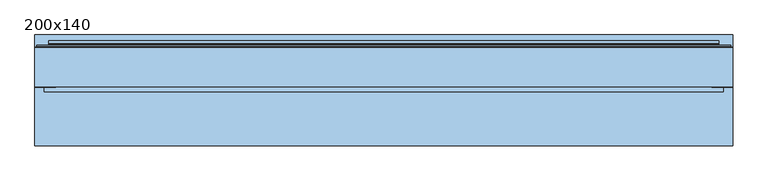
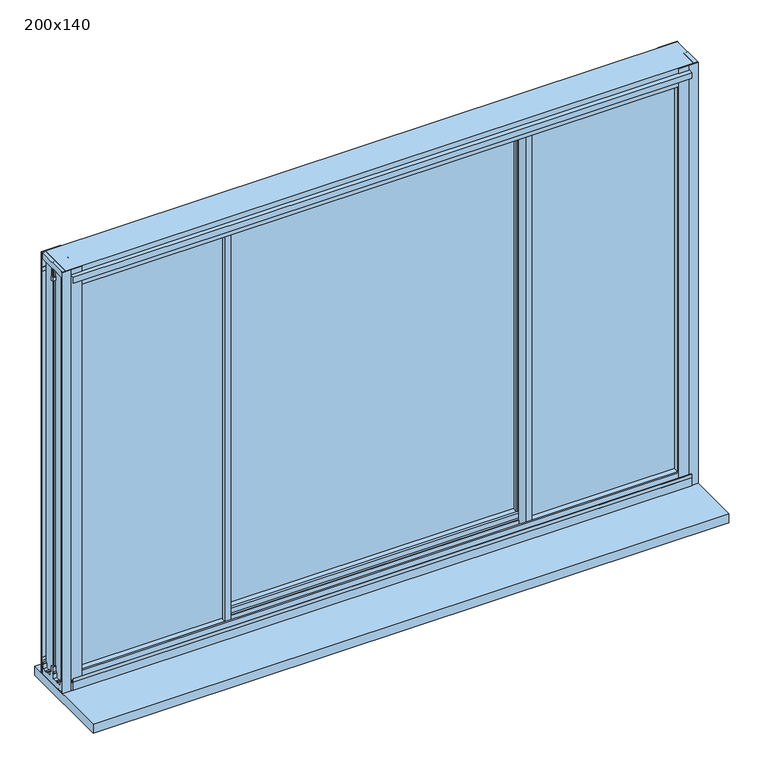
"""IFC4 building model written with IfcOpenShell, lengths in millimetres: window geometry, 200x140."""

from ifc_helpers import new_model, si_unit, frame, origin, place, context, project, spatial, polyline, outline, extrude, faceted_brep, source, transform, mapped, element, save


def window_200x140_1c077688(model_context):
    return source(origin(), model_context, "Body", "SolidModel", [
        extrude(outline(polyline([(1421.5, 940.7), (1325.5, 940.7), (1325.5, 966.7), (1421.5, 966.7), (1421.5, 940.7)]), holes=[polyline([(1328.5, 963.7), (1328.5, 943.7), (1418.5, 943.7), (1418.5, 963.7), (1328.5, 963.7)])]), frame((0.0, 32.25, 0.0), z_axis=(0.0, 1.0, 0.0), x_axis=(0.0, 0.0, 1.0)), (0.0, 0.0, 1.0), 10.0),
        extrude(outline(polyline([(1421.5, -888.3), (1421.5, -914.3), (1325.5, -914.3), (1325.5, -888.3), (1421.5, -888.3)]), holes=[polyline([(1328.5, -911.3), (1418.5, -911.3), (1418.5, -891.3), (1328.5, -891.3), (1328.5, -911.3)])]), frame((0.0, 32.65, 0.0), z_axis=(0.0, 1.0, 0.0), x_axis=(0.0, 0.0, 1.0)), (0.0, 0.0, 1.0), 10.0),
        extrude(outline(polyline([(-923.7, 20.25), (-923.7, 26.25), (-447.3, 26.25), (-447.3, 20.25), (-923.7, 20.25)])), frame((0.0, 0.0, 717.8), z_axis=(0.0, 0.0, 1.0), x_axis=(1.0, 0.0, 0.0)), (0.0, 0.0, 1.0), 1305.6),
        extrude(outline(polyline([(976.1, 20.25), (500.7, 20.25), (500.7, 26.25), (976.1, 26.25), (976.1, 20.25)])), frame((0.0, 0.0, 717.8), z_axis=(0.0, 0.0, 1.0), x_axis=(1.0, 0.0, 0.0)), (0.0, 0.0, 1.0), 1305.6),
        extrude(outline(polyline([(500.7, 75.05), (-448.3, 75.05), (-448.3, 81.05), (500.7, 81.05), (500.7, 75.05)])), frame((0.0, 0.0, 717.8), z_axis=(0.0, 0.0, 1.0), x_axis=(1.0, 0.0, 0.0)), (0.0, 0.0, 1.0), 1305.6),
        faceted_brep([(-439.3, 2.65, 697.1), (-457.3, 2.65, 697.1), (-457.3, 12.6000001, 697.1), (-944.2, 12.6000001, 697.1), (-944.2, 33.8999999, 697.1), (-457.3, 33.8999999, 697.1), (-457.3, 43.85, 697.1), (-443.1031371, 43.85, 697.1), (-443.1031371, 50.1440374, 697.1), (-446.4081362, 50.1440374, 697.1), (-450.6157826, 51.5636227, 697.1), (-450.6157826, 53.95, 697.1), (-441.3266098, 53.95, 697.1), (-441.3266098, 43.85, 697.1), (-439.3, 43.85, 697.1), (-447.0748111, 32.25, 697.1), (-448.3, 32.25, 697.1), (-448.3, 14.25, 697.1), (-447.0748111, 14.25, 697.1), (-439.3, 2.65, 2043.9), (-439.3, 43.85, 2043.9), (-441.3266098, 43.85, 2043.9), (-441.3266098, 53.95, 2043.9), (-450.6157826, 53.95, 2043.9), (-450.6157826, 51.5636227, 2043.9), (-446.4081362, 50.1440374, 2043.9), (-443.1031371, 50.1440374, 2043.9), (-443.1031371, 43.85, 2043.9), (-457.3, 43.85, 2043.9), (-457.3, 33.8999999, 2043.9), (-944.2, 33.8999999, 2043.9), (-944.2, 12.6000001, 2043.9), (-457.3, 12.6000001, 2043.9), (-457.3, 2.65, 2043.9), (-447.0748111, 14.25, 2043.9), (-448.3, 14.25, 2043.9), (-448.3, 32.25, 2043.9), (-447.0748111, 32.25, 2043.9), (-457.3, 2.65, 2031.9), (-932.2, 2.65, 2031.9), (-932.2, 2.65, 709.1), (-457.3, 2.65, 709.1), (-914.3, 2.65, 2014.0), (-457.3, 2.65, 2014.0), (-457.3, 2.65, 727.0), (-914.3, 2.65, 727.0), (-457.3, 6.95, 709.1), (-457.3, 6.95, 706.9), (-457.3, 12.6000001, 706.9), (-457.3, 12.6000001, 2034.1), (-457.3, 6.95, 2034.1), (-457.3, 6.95, 2031.9), (-457.3, 14.25, 2014.0), (-457.3, 14.25, 727.0), (-448.3, 14.25, 727.0), (-448.3, 14.25, 2014.0), (-448.3, 32.25, 2014.0), (-457.3, 32.25, 2014.0), (-457.3, 32.25, 727.0), (-448.3, 32.25, 727.0), (-457.3, 33.8999999, 706.9), (-457.3, 39.55, 706.9), (-457.3, 39.55, 709.1), (-457.3, 43.85, 709.1), (-457.3, 43.85, 2031.9), (-457.3, 39.55, 2031.9), (-457.3, 39.55, 2034.1), (-457.3, 33.8999999, 2034.1), (-457.3, 43.85, 2014.0), (-457.3, 43.85, 727.0), (-448.3, 20.25, 727.0), (-448.3, 26.25, 727.0), (-448.3, 26.25, 717.6), (-448.3, 20.25, 717.6), (-914.3, 20.25, 727.0), (-923.7, 20.25, 717.6), (-923.7, 20.25, 2023.4), (-448.3, 20.25, 2023.4), (-448.3, 20.25, 2014.0), (-914.3, 20.25, 2014.0), (-923.7, 26.25, 717.6), (-914.3, 26.25, 727.0), (-914.3, 26.25, 2014.0), (-448.3, 26.25, 2014.0), (-448.3, 26.25, 2023.4), (-923.7, 26.25, 2023.4), (-914.3, 43.85, 727.0), (-932.2, 43.85, 709.1), (-932.2, 39.55, 709.1), (-934.4, 39.55, 706.9), (-934.4, 39.55, 2034.1), (-932.2, 39.55, 2031.9), (-934.4, 33.8999999, 706.9), (-934.4, 33.8999999, 2034.1), (-934.4, 12.6000001, 706.9), (-934.4, 12.6000001, 2034.1), (-934.4, 6.95, 706.9), (-932.2, 6.95, 709.1), (-932.2, 6.95, 2031.9), (-934.4, 6.95, 2034.1), (-914.3, 43.85, 2014.0), (-932.2, 43.85, 2031.9)], [[[0, 1, 2, 3, 4, 5, 6, 7, 8, 9, 10, 11, 12, 13, 14], [15, 16, 17, 18]], [[19, 20, 21, 22, 23, 24, 25, 26, 27, 28, 29, 30, 31, 32, 33], [34, 35, 36, 37]], [[0, 19, 33, 38, 39, 40, 41, 1], [42, 43, 44, 45]], [[1, 41, 46, 47, 48, 2]], [[32, 49, 50, 51, 38, 33]], [[43, 52, 53, 44]], [[18, 17, 54, 53, 52, 55, 35, 34]], [[18, 34, 37, 15]], [[37, 36, 56, 57, 58, 59, 16, 15]], [[5, 60, 61, 62, 63, 6]], [[28, 64, 65, 66, 67, 29]], [[57, 68, 69, 58]], [[13, 21, 20, 14]], [[70, 54, 17, 16, 59, 71, 72, 73]], [[45, 44, 53, 54, 70, 74]], [[73, 75, 76, 77, 78, 79, 74, 70]], [[72, 80, 75, 73]], [[71, 81, 82, 83, 84, 85, 80, 72]], [[71, 59, 58, 69, 86, 81]], [[87, 63, 62, 88]], [[88, 62, 61, 89, 90, 66, 65, 91]], [[89, 61, 60, 92]], [[92, 60, 5, 4, 30, 29, 67, 93]], [[3, 2, 48, 94, 95, 49, 32, 31]], [[94, 48, 47, 96]], [[96, 47, 46, 97, 98, 51, 50, 99]], [[97, 46, 41, 40]], [[45, 74, 79, 42]], [[75, 80, 85, 76]], [[81, 86, 100, 82]], [[87, 88, 91, 101]], [[89, 92, 93, 90]], [[4, 3, 31, 30]], [[94, 96, 99, 95]], [[39, 98, 97, 40]], [[77, 84, 83, 56, 36, 35, 55, 78]], [[78, 55, 52, 43, 42, 79]], [[76, 85, 84, 77]], [[82, 100, 68, 57, 56, 83]], [[91, 65, 64, 101]], [[93, 67, 66, 90]], [[99, 50, 49, 95]], [[39, 38, 51, 98]], [[14, 20, 19, 0]], [[12, 22, 21, 13]], [[11, 23, 22, 12]], [[10, 24, 23, 11]], [[9, 25, 24, 10]], [[8, 26, 25, 9]], [[7, 27, 26, 8]], [[6, 63, 87, 101, 64, 28, 27, 7], [86, 69, 68, 100]]]),
        faceted_brep([(-457.3, 98.65, 697.1), (-439.3, 98.65, 697.1), (-439.3, 87.05, 697.1), (-449.6733902, 87.05, 697.1), (-449.6733902, 69.05, 697.1), (-439.3, 69.05, 697.1), (-439.3, 57.45, 697.1), (-453.5817343, 57.45, 697.1), (-453.5817343, 51.1559626, 697.1), (-450.1918638, 51.1559626, 697.1), (-445.9842174, 49.7071538, 697.1), (-445.9842174, 47.35, 697.1), (-455.3582616, 47.35, 697.1), (-455.3582616, 57.45, 697.1), (-457.3, 57.45, 697.1), (-457.3, 98.65, 2043.9), (-457.3, 57.45, 2043.9), (-455.3582616, 57.45, 2043.9), (-455.3582616, 47.35, 2043.9), (-445.9842174, 47.35, 2043.9), (-445.9842174, 49.7071538, 2043.9), (-450.1918638, 51.1559626, 2043.9), (-453.5817343, 51.1559626, 2043.9), (-453.5817343, 57.45, 2043.9), (-439.3, 57.45, 2043.9), (-439.3, 69.05, 2043.9), (-449.6733902, 69.05, 2043.9), (-449.6733902, 87.05, 2043.9), (-439.3, 87.05, 2043.9), (-439.3, 98.65, 2043.9)], [[[0, 1, 2, 3, 4, 5, 6, 7, 8, 9, 10, 11, 12, 13, 14]], [[15, 16, 17, 18, 19, 20, 21, 22, 23, 24, 25, 26, 27, 28, 29]], [[0, 15, 29, 1]], [[1, 29, 28, 2]], [[2, 28, 27, 3]], [[3, 27, 26, 4]], [[4, 26, 25, 5]], [[7, 23, 22, 8]], [[8, 22, 21, 9]], [[9, 21, 20, 10]], [[10, 20, 19, 11]], [[11, 19, 18, 12]], [[12, 18, 17, 13]], [[13, 17, 16, 14]], [[14, 16, 15, 0]], [[6, 24, 23, 7]], [[5, 25, 24, 6]]]),
        faceted_brep([(491.7, 2.65, 697.1), (491.7, 43.85, 697.1), (493.7266098, 43.85, 697.1), (493.7266098, 53.95, 697.1), (503.0157826, 53.95, 697.1), (503.0157826, 51.5636227, 697.1), (498.8081362, 50.1440374, 697.1), (495.5031371, 50.1440374, 697.1), (495.5031371, 43.85, 697.1), (509.7, 43.85, 697.1), (509.7, 33.8999999, 697.1), (996.6, 33.8999999, 697.1), (996.6, 12.6000001, 697.1), (509.7, 12.6000001, 697.1), (509.7, 2.65, 697.1), (499.4748111, 32.25, 697.1), (499.4748111, 14.25, 697.1), (500.7, 14.25, 697.1), (500.7, 32.25, 697.1), (491.7, 2.65, 2043.9), (509.7, 2.65, 2043.9), (509.7, 12.6000001, 2043.9), (996.6, 12.6000001, 2043.9), (996.6, 33.8999999, 2043.9), (509.7, 33.8999999, 2043.9), (509.7, 43.85, 2043.9), (495.5031371, 43.85, 2043.9), (495.5031371, 50.1440374, 2043.9), (498.8081362, 50.1440374, 2043.9), (503.0157826, 51.5636227, 2043.9), (503.0157826, 53.95, 2043.9), (493.7266098, 53.95, 2043.9), (493.7266098, 43.85, 2043.9), (491.7, 43.85, 2043.9), (499.4748111, 14.25, 2043.9), (499.4748111, 32.25, 2043.9), (500.7, 32.25, 2043.9), (500.7, 14.25, 2043.9), (500.7, 26.25, 727.0), (500.7, 32.25, 727.0), (500.7, 14.25, 727.0), (500.7, 20.25, 727.0), (500.7, 20.25, 717.6), (500.7, 26.25, 717.6), (500.7, 20.25, 2014.0), (500.7, 14.25, 2014.0), (500.7, 32.25, 2014.0), (500.7, 26.25, 2014.0), (500.7, 26.25, 2023.4), (500.7, 20.25, 2023.4), (966.7, 43.85, 727.0), (509.7, 43.85, 727.0), (509.7, 32.25, 727.0), (966.7, 26.25, 727.0), (976.1, 26.25, 717.6), (976.1, 26.25, 2023.4), (966.7, 26.25, 2014.0), (976.1, 20.25, 717.6), (966.7, 20.25, 727.0), (966.7, 20.25, 2014.0), (976.1, 20.25, 2023.4), (509.7, 14.25, 727.0), (509.7, 2.65, 727.0), (966.7, 2.65, 727.0), (984.6, 2.65, 709.1), (509.7, 2.65, 709.1), (509.7, 6.95, 709.1), (984.6, 6.95, 709.1), (509.7, 6.95, 706.9), (986.8, 6.95, 706.9), (986.8, 6.95, 2034.1), (509.7, 6.95, 2034.1), (509.7, 6.95, 2031.9), (984.6, 6.95, 2031.9), (509.7, 12.6000001, 706.9), (986.8, 12.6000001, 706.9), (509.7, 12.6000001, 2034.1), (986.8, 12.6000001, 2034.1), (509.7, 33.8999999, 706.9), (986.8, 33.8999999, 706.9), (986.8, 33.8999999, 2034.1), (509.7, 33.8999999, 2034.1), (509.7, 39.55, 706.9), (986.8, 39.55, 706.9), (509.7, 39.55, 709.1), (984.6, 39.55, 709.1), (984.6, 39.55, 2031.9), (509.7, 39.55, 2031.9), (509.7, 39.55, 2034.1), (986.8, 39.55, 2034.1), (509.7, 43.85, 709.1), (984.6, 43.85, 709.1), (966.7, 43.85, 2014.0), (966.7, 2.65, 2014.0), (984.6, 2.65, 2031.9), (984.6, 43.85, 2031.9), (509.7, 32.25, 2014.0), (509.7, 43.85, 2014.0), (509.7, 2.65, 2014.0), (509.7, 14.25, 2014.0), (509.7, 2.65, 2031.9), (509.7, 43.85, 2031.9)], [[[0, 1, 2, 3, 4, 5, 6, 7, 8, 9, 10, 11, 12, 13, 14], [15, 16, 17, 18]], [[19, 20, 21, 22, 23, 24, 25, 26, 27, 28, 29, 30, 31, 32, 33], [34, 35, 36, 37]], [[38, 39, 18, 17, 40, 41, 42, 43]], [[44, 45, 37, 36, 46, 47, 48, 49]], [[50, 51, 52, 39, 38, 53]], [[43, 54, 55, 48, 47, 56, 53, 38]], [[42, 57, 54, 43]], [[41, 58, 59, 44, 49, 60, 57, 42]], [[41, 40, 61, 62, 63, 58]], [[64, 65, 66, 67]], [[67, 66, 68, 69, 70, 71, 72, 73]], [[69, 68, 74, 75]], [[75, 74, 13, 12, 22, 21, 76, 77]], [[11, 10, 78, 79, 80, 81, 24, 23]], [[79, 78, 82, 83]], [[83, 82, 84, 85, 86, 87, 88, 89]], [[85, 84, 90, 91]], [[50, 53, 56, 92]], [[54, 57, 60, 55]], [[58, 63, 93, 59]], [[64, 67, 73, 94]], [[69, 75, 77, 70]], [[12, 11, 23, 22]], [[79, 83, 89, 80]], [[95, 86, 85, 91]], [[47, 46, 96, 97, 92, 56]], [[48, 55, 60, 49]], [[59, 93, 98, 99, 45, 44]], [[73, 72, 100, 94]], [[77, 76, 71, 70]], [[89, 88, 81, 80]], [[95, 101, 87, 86]], [[14, 65, 64, 94, 100, 20, 19, 0], [98, 93, 63, 62]], [[62, 61, 99, 98]], [[13, 74, 68, 66, 65, 14]], [[20, 100, 72, 71, 76, 21]], [[34, 37, 45, 99, 61, 40, 17, 16]], [[15, 35, 34, 16]], [[15, 18, 39, 52, 96, 46, 36, 35]], [[52, 51, 97, 96]], [[24, 81, 88, 87, 101, 25]], [[9, 90, 84, 82, 78, 10]], [[8, 26, 25, 101, 95, 91, 90, 9], [51, 50, 92, 97]], [[7, 27, 26, 8]], [[6, 28, 27, 7]], [[5, 29, 28, 6]], [[4, 30, 29, 5]], [[3, 31, 30, 4]], [[2, 32, 31, 3]], [[1, 33, 32, 2]], [[0, 19, 33, 1]]]),
        faceted_brep([(509.7, 98.65, 697.1), (509.7, 57.45, 697.1), (507.7582616, 57.45, 697.1), (507.7582616, 47.35, 697.1), (498.3842174, 47.35, 697.1), (498.3842174, 49.7071538, 697.1), (502.5918638, 51.1559626, 697.1), (505.9817343, 51.1559626, 697.1), (505.9817343, 57.45, 697.1), (491.7, 57.45, 697.1), (491.7, 69.05, 697.1), (502.0733902, 69.05, 697.1), (502.0733902, 87.05, 697.1), (491.7, 87.05, 697.1), (491.7, 98.65, 697.1), (509.7, 98.65, 2043.9), (491.7, 98.65, 2043.9), (491.7, 87.05, 2043.9), (502.0733902, 87.05, 2043.9), (502.0733902, 69.05, 2043.9), (491.7, 69.05, 2043.9), (491.7, 57.45, 2043.9), (505.9817343, 57.45, 2043.9), (505.9817343, 51.1559626, 2043.9), (502.5918638, 51.1559626, 2043.9), (498.3842174, 49.7071538, 2043.9), (498.3842174, 47.35, 2043.9), (507.7582616, 47.35, 2043.9), (507.7582616, 57.45, 2043.9), (509.7, 57.45, 2043.9)], [[[0, 1, 2, 3, 4, 5, 6, 7, 8, 9, 10, 11, 12, 13, 14]], [[15, 16, 17, 18, 19, 20, 21, 22, 23, 24, 25, 26, 27, 28, 29]], [[14, 16, 15, 0]], [[13, 17, 16, 14]], [[12, 18, 17, 13]], [[11, 19, 18, 12]], [[10, 20, 19, 11]], [[9, 21, 20, 10]], [[8, 22, 21, 9]], [[7, 23, 22, 8]], [[6, 24, 23, 7]], [[5, 25, 24, 6]], [[4, 26, 25, 5]], [[3, 27, 26, 4]], [[2, 28, 27, 3]], [[1, 29, 28, 2]], [[0, 15, 29, 1]]]),
        extrude(outline(polyline([(-19.55, 2056.5), (-4.95, 2056.5), (-4.95, 2055.0), (-17.55, 2055.0), (-17.55, 2037.5), (-19.55, 2037.5), (-19.55, 2056.5)])), frame((-946.45, 0.0, 0.0), z_axis=(1.0, 0.0, 0.0), x_axis=(0.0, 1.0, 0.0)), (0.0, 0.0, 1.0), 1945.3),
        extrude(outline(polyline([(-19.55, 682.9), (-19.55, 708.9), (-16.65, 708.9), (-16.05, 709.5), (-19.55, 709.5), (-19.55, 720.6), (-17.55, 720.6), (-17.55, 711.0), (-13.95, 711.0), (-13.95, 708.6), (-4.95, 708.6), (-4.95, 704.1), (-18.35, 704.1), (-18.35, 682.9), (-19.55, 682.9)])), frame((-946.45, 0.0, 0.0), z_axis=(1.0, 0.0, 0.0), x_axis=(0.0, 1.0, 0.0)), (0.0, 0.0, 1.0), 1945.3),
        extrude(outline(polyline([(-0.85, 729.0), (-0.85, 711.8), (0.0941191, 711.8), (1.55, 707.8), (4.3, 707.8), (4.3, 692.6), (21.0, 692.6), (21.0, 696.5731379), (25.5, 696.5731379), (25.5, 692.6), (42.2, 692.6), (42.2, 707.8), (44.9, 707.8), (46.3558809, 711.8), (47.35, 711.8), (47.35, 729.0), (53.95, 729.0), (53.95, 711.8), (54.9441191, 711.8), (56.4, 707.8), (59.1, 707.8), (59.1, 692.6), (75.8, 692.6), (75.8, 696.5731379), (80.3, 696.5731379), (80.3, 692.6), (97.0, 692.6), (97.0, 707.8), (99.75, 707.8), (101.2058809, 711.8), (104.75, 711.8), (104.75, 717.8), (102.15, 717.8), (102.15, 729.0), (106.25, 729.0), (106.25, 673.5), (15.05, 673.5), (15.05, 676.5), (-4.95, 676.5), (-4.95, 729.0), (-0.85, 729.0)])), frame((-973.8, 0.0, 0.0), z_axis=(1.0, 0.0, 0.0), x_axis=(0.0, 1.0, 0.0)), (0.0, 0.0, 1.0), 2000.0),
        extrude(outline(polyline([(-0.85, 2012.0), (-4.95, 2012.0), (-4.95, 2073.5), (106.25, 2073.5), (106.25, 2012.0), (102.15, 2012.0), (102.15, 2026.5), (104.75, 2026.5), (104.75, 2055.0), (51.4, 2055.0), (51.4, 2024.7), (53.95, 2024.7), (53.95, 2012.0), (47.35, 2012.0), (47.35, 2024.7), (49.9, 2024.7), (49.9, 2055.0), (-3.45, 2055.0), (-3.45, 2026.5), (-0.85, 2026.5), (-0.85, 2012.0)])), frame((-973.8, 0.0, 0.0), z_axis=(1.0, 0.0, 0.0), x_axis=(0.0, 1.0, 0.0)), (0.0, 0.0, 1.0), 2000.0),
        extrude(outline(polyline([(-960.95, -5.3), (-924.65, -5.3), (-924.65, -0.85), (-913.45, -0.85), (-913.45, -6.8), (-946.5952323, -6.8), (-973.8, -6.8), (-973.8, -0.5850342), (-962.75, -0.5850342), (-962.75, 49.9), (-969.028222, 49.9), (-969.028222, 51.425037), (-962.75, 51.425037), (-962.75, 101.8850342), (-973.8, 101.8850342), (-973.8, 108.1), (-913.45, 108.1), (-913.45, 47.35), (-924.65, 47.35), (-924.65, 49.9), (-960.95, 49.9), (-960.95, 22.7303848), (-960.95, -5.3)])), frame((0.0, 0.0, 673.5), z_axis=(0.0, 0.0, 1.0), x_axis=(1.0, 0.0, 0.0)), (0.0, 0.0, 1.0), 1400.0),
        extrude(outline(polyline([(1013.35, -5.3), (1013.35, 22.7303848), (1013.35, 49.9), (977.05, 49.9), (977.05, 47.35), (965.85, 47.35), (965.85, 108.1), (1026.2, 108.1), (1026.2, 101.8850342), (1015.15, 101.8850342), (1015.15, 51.425037), (1021.428222, 51.425037), (1021.428222, 49.9), (1015.15, 49.9), (1015.15, -0.5850342), (1026.2, -0.5850342), (1026.2, -6.8), (998.9952323, -6.8), (965.85, -6.8), (965.85, -0.85), (977.05, -0.85), (977.05, -5.3), (1013.35, -5.3)])), frame((0.0, 0.0, 673.5), z_axis=(0.0, 0.0, 1.0), x_axis=(1.0, 0.0, 0.0)), (0.0, 0.0, 1.0), 1400.0),
        extrude(outline(polyline([(1026.2, -173.75), (-973.8, -173.75), (-973.8, 143.25), (1026.2, 143.25), (1026.2, -173.75)])), frame((0.0, 0.0, 643.5), z_axis=(0.0, 0.0, 1.0), x_axis=(1.0, 0.0, 0.0)), (0.0, 0.0, 1.0), 30.0),
        faceted_brep([(965.85, 106.25, 729.0), (965.85, 106.25, 2012.0), (965.85, 126.4, 2012.0), (965.85, 126.4, 729.0), (1016.5502862, 110.5, 678.2997138), (1016.5502862, 110.5, 2062.7002862), (1016.5502862, 106.25, 2062.7002862), (1016.5502862, 106.25, 678.2997138), (1021.35, 114.1, 673.5), (1021.35, 114.1, 2067.5), (1021.35, 110.5, 2067.5), (1021.35, 110.5, 673.5), (986.35, 117.0431112, 708.5), (986.35, 117.0431112, 2032.5), (986.35, 114.1, 2032.5), (986.35, 114.1, 708.5), (986.95, 117.9, 707.9), (986.95, 117.9, 2033.1), (986.95, 126.4, 707.9), (986.95, 126.4, 2033.1), (-913.45, 106.25, 2012.0), (-913.45, 126.4, 2012.0), (-964.1502862, 110.5, 2062.7002862), (-964.1502862, 106.25, 2062.7002862), (-968.95, 114.1, 2067.5), (-968.95, 110.5, 2067.5), (-933.95, 117.0431112, 2032.5), (-933.95, 114.1, 2032.5), (-934.55, 117.9, 2033.1), (-934.55, 126.4, 2033.1), (-913.45, 106.25, 729.0), (-913.45, 126.4, 729.0), (-964.1502862, 110.5, 678.2997138), (-964.1502862, 106.25, 678.2997138), (-968.95, 114.1, 673.5), (-968.95, 110.5, 673.5), (-933.95, 117.0431112, 708.5), (-933.95, 114.1, 708.5), (-934.55, 117.9, 707.9), (-934.55, 126.4, 707.9)], [[[0, 1, 2, 3]], [[4, 5, 6, 7]], [[8, 9, 10, 11]], [[12, 13, 14, 15]], [[16, 17, 13, 12]], [[18, 19, 17, 16]], [[1, 20, 21, 2]], [[5, 22, 23, 6]], [[9, 24, 25, 10]], [[13, 26, 27, 14]], [[17, 28, 26, 13]], [[19, 29, 28, 17]], [[20, 30, 31, 21]], [[22, 32, 33, 23]], [[24, 34, 35, 25]], [[26, 36, 37, 27]], [[28, 38, 36, 26]], [[29, 39, 38, 28]], [[19, 18, 39, 29], [3, 2, 21, 31]], [[30, 0, 3, 31]], [[7, 6, 23, 33], [1, 0, 30, 20]], [[32, 4, 7, 33]], [[11, 10, 25, 35], [5, 4, 32, 22]], [[34, 8, 11, 35]], [[9, 8, 34, 24], [15, 14, 27, 37]], [[36, 12, 15, 37]], [[38, 16, 12, 36]], [[39, 18, 16, 38]]]),
        extrude(outline(polyline([(57.45, 2031.9), (61.75, 2031.9), (61.75, 2034.1), (67.4000001, 2034.1), (67.4000001, 2043.9), (88.6999999, 2043.9), (88.6999999, 2034.1), (94.35, 2034.1), (94.35, 2031.9), (98.65, 2031.9), (98.65, 2014.0), (81.05, 2014.0), (81.05, 2023.4), (75.05, 2023.4), (75.05, 2014.0), (57.45, 2014.0), (57.45, 2031.9)])), frame((-448.3, 0.0, 0.0), z_axis=(1.0, 0.0, 0.0), x_axis=(0.0, 1.0, 0.0)), (0.0, 0.0, 1.0), 949.0),
        extrude(outline(polyline([(57.45, 709.1), (57.45, 727.0), (75.05, 727.0), (75.05, 717.6), (81.05, 717.6), (81.05, 727.0), (98.65, 727.0), (98.65, 709.1), (94.35, 709.1), (94.35, 706.9), (88.6999999, 706.9), (88.6999999, 697.1), (67.4000001, 697.1), (67.4000001, 706.9), (61.75, 706.9), (61.75, 709.1), (57.45, 709.1)])), frame((-448.3, 0.0, 0.0), z_axis=(1.0, 0.0, 0.0), x_axis=(0.0, 1.0, 0.0)), (0.0, 0.0, 1.0), 949.0),
    ])


if __name__ == "__main__":
    model = new_model("IFC4")
    model_context = context("Model", 3, world=origin())
    ifc_project = project(units=[si_unit("LENGTHUNIT", "METRE", prefix="MILLI")], contexts=[model_context])
    site = spatial("IfcSite", under=ifc_project)
    building = spatial("IfcBuilding", under=site)
    placement = place(None, origin())
    window_200x140_shape = window_200x140_1c077688(model_context)
    element("IfcWindow", 1, ObjectType="200x140", at=placement, inside=building, context=model_context, shape_type="MappedRepresentation", body=[
        mapped(window_200x140_shape, transform((0.0, 0.0, 0.0), x_axis=(1.0, 0.0, 0.0), y_axis=(0.0, 1.0, 0.0), z_axis=(0.0, 0.0, 1.0))),
    ])
    save(model, "model.ifc")
